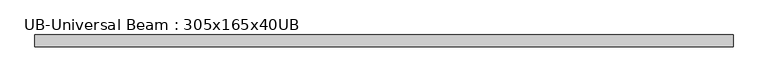
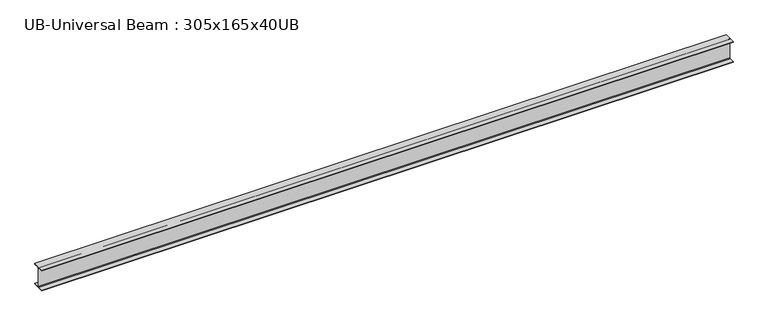
"""IFC4 building model written with IfcOpenShell, lengths in millimetres: beam geometry, UB-Universal Beam : 305x165x40UB."""

from ifc_helpers import new_model, si_unit, point, frame, frame_2d, origin, place, context, project, spatial, polyline, circle_curve, trimmed, segment, composite_curve, outline, extrude, source, transform, mapped, element, save


def ub_universal_beam_305x165x40ub_5b16a03b(model_context):
    return source(origin(), model_context, "Body", "SweptSolid", [
        extrude(outline(composite_curve([segment(polyline([(82.5, -141.5), (82.5, -151.7), (-82.5, -151.7), (-82.5, -141.5), (-11.9, -141.5)]), True, "CONTINUOUS"), segment(trimmed(circle_curve(frame_2d((-11.9, -132.6)), 8.9), [point((-11.9, -141.5))], [point((-3.0, -132.6))], True, "CARTESIAN"), True, "CONTINUOUS"), segment(polyline([(-3.0, -132.6), (-3.0, 132.6)]), True, "CONTINUOUS"), segment(trimmed(circle_curve(frame_2d((-11.9, 132.6)), 8.9), [point((-3.0, 132.6))], [point((-11.9, 141.5))], True, "CARTESIAN"), True, "CONTINUOUS"), segment(polyline([(-11.9, 141.5), (-82.5, 141.5), (-82.5, 151.7), (82.5, 151.7), (82.5, 141.5), (11.9, 141.5)]), True, "CONTINUOUS"), segment(trimmed(circle_curve(frame_2d((11.9, 132.6)), 8.9), [point((11.9, 141.5))], [point((3.0, 132.6))], True, "CARTESIAN"), True, "CONTINUOUS"), segment(polyline([(3.0, 132.6), (3.0, -132.6)]), True, "CONTINUOUS"), segment(trimmed(circle_curve(frame_2d((11.9, -132.6)), 8.9), [point((3.0, -132.6))], [point((11.9, -141.5))], True, "CARTESIAN"), True, "CONTINUOUS"), segment(polyline([(11.9, -141.5), (82.5, -141.5)]), True, "CONTINUOUS")], self_intersect=False)), frame((-4892.5, 0.0, 0.0), z_axis=(1.0, 0.0, 0.0), x_axis=(0.0, 1.0, 0.0)), (0.0, 0.0, 1.0), 9618.35),
    ])


if __name__ == "__main__":
    model = new_model("IFC4")
    model_context = context("Model", 3, world=origin())
    ifc_project = project(units=[si_unit("LENGTHUNIT", "METRE", prefix="MILLI")], contexts=[model_context])
    site = spatial("IfcSite", under=ifc_project)
    building = spatial("IfcBuilding", under=site)
    placement = place(None, origin())
    ub_universal_beam_305x165x40ub_shape = ub_universal_beam_305x165x40ub_5b16a03b(model_context)
    element("IfcBeam", 1, ObjectType="UB-Universal Beam : 305x165x40UB", at=placement, inside=building, context=model_context, shape_type="MappedRepresentation", body=[
        mapped(ub_universal_beam_305x165x40ub_shape, transform((0.0, 0.0, 0.0), x_axis=(1.0, 0.0, 0.0), y_axis=(0.0, 1.0, 0.0), z_axis=(0.0, 0.0, 1.0))),
    ])
    save(model, "model.ifc")
